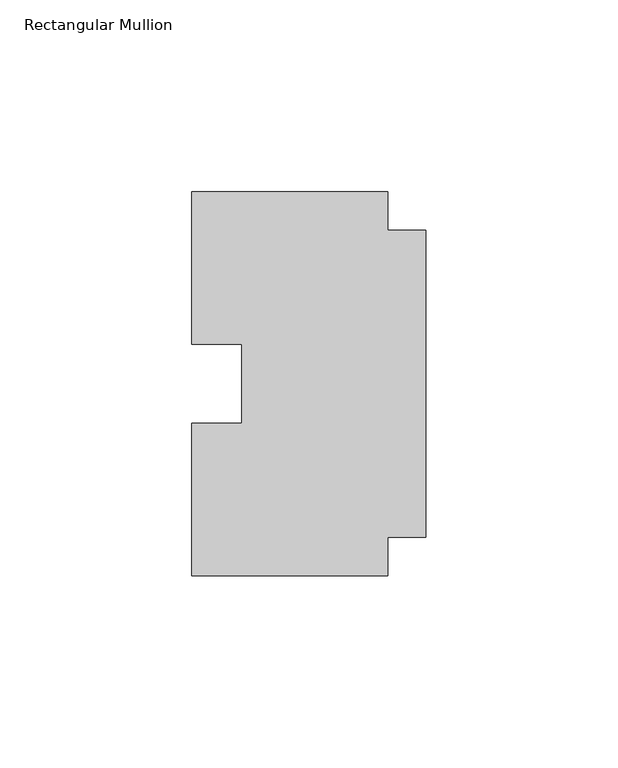
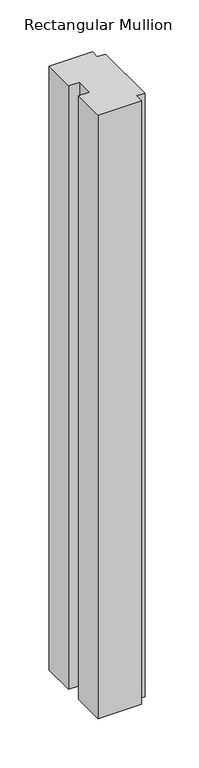
"""IFC4 building model written with IfcOpenShell, lengths in millimetres: member geometry, Rectangular Mullion."""

from ifc_helpers import new_model, si_unit, frame, origin, place, context, project, spatial, polyline, outline, extrude, source, transform, mapped, element, save


def rectangular_mullion_1fc84e3b(model_context):
    return source(origin(), model_context, "Body", "SweptSolid", [
        extrude(outline(polyline([(-10.0, -40.0), (-10.0, -50.0), (-61.0, -50.0), (-61.0, -10.25), (-48.0, -10.25), (-48.0, 10.25), (-61.0, 10.25), (-61.0, 50.0), (-10.0, 50.0), (-10.0, 40.0), (0.0, 40.0), (0.0, -40.0), (-10.0, -40.0)])), frame((0.0, 0.0, -750.0), z_axis=(0.0, 0.0, 1.0), x_axis=(1.0, 0.0, 0.0)), (0.0, 0.0, 1.0), 750.0),
    ])


if __name__ == "__main__":
    model = new_model("IFC4")
    model_context = context("Model", 3, world=origin())
    ifc_project = project(units=[si_unit("LENGTHUNIT", "METRE", prefix="MILLI")], contexts=[model_context])
    site = spatial("IfcSite", under=ifc_project)
    building = spatial("IfcBuilding", under=site)
    placement = place(None, origin())
    rectangular_mullion_shape = rectangular_mullion_1fc84e3b(model_context)
    element("IfcMember", 1, ObjectType="Rectangular Mullion", at=placement, inside=building, context=model_context, shape_type="MappedRepresentation", body=[
        mapped(rectangular_mullion_shape, transform((0.0, 0.0, 0.0), x_axis=(1.0, 0.0, 0.0), y_axis=(0.0, 1.0, 0.0), z_axis=(0.0, 0.0, 1.0))),
    ])
    save(model, "model.ifc")
